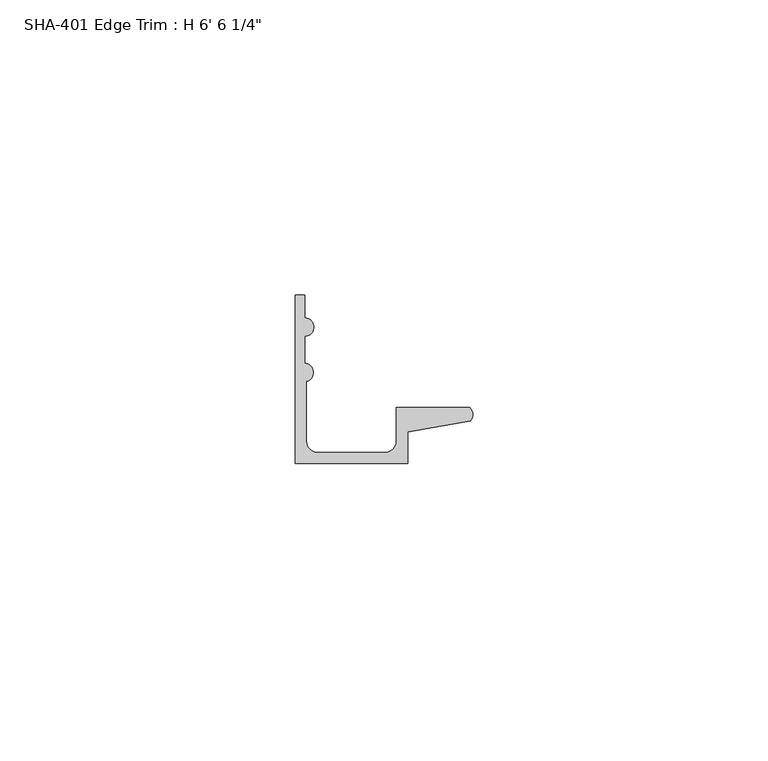
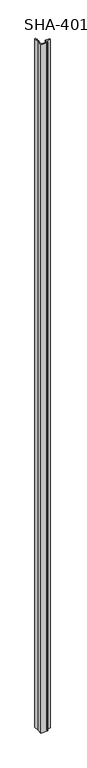
"""IFC4 building model written with IfcOpenShell, lengths in millimetres: proxy geometry."""

from ifc_helpers import new_model, si_unit, point, frame_2d, origin, origin_with_axes, place, context, project, spatial, polyline, circle_curve, trimmed, segment, composite_curve, outline, extrude, source, transform, mapped, element, save


def proxy_705919c7(model_context):
    return source(origin(), model_context, "Body", "SweptSolid", [
        extrude(outline(composite_curve([segment(polyline([(29.6006869, 7.2036308), (19.0246, 5.392657), (19.0246, 0.0), (0.0, 0.0), (0.0, 13.8696178), (0.0, 28.575), (1.5748, 28.575), (1.5748, 24.7045919)]), True, "CONTINUOUS"), segment(trimmed(circle_curve(frame_2d((1.5748, 23.1297919)), 1.5748), [point((1.5748, 24.7045919))], [point((1.5748, 21.5549919))], False, "CARTESIAN"), True, "CONTINUOUS"), segment(polyline([(1.5748, 21.5549919), (1.5748, 17.018)]), True, "CONTINUOUS"), segment(trimmed(circle_curve(frame_2d((1.4838146, 15.4432)), 1.5774262), [point((1.5748, 17.018))], [point((1.905, 13.9230434))], False, "CARTESIAN"), True, "CONTINUOUS"), segment(polyline([(1.905, 13.9230434), (1.905, 3.81)]), True, "CONTINUOUS"), segment(trimmed(circle_curve(frame_2d((3.81, 3.81)), 1.905), [point((1.905, 3.81))], [point((3.81, 1.905))], True, "CARTESIAN"), True, "CONTINUOUS"), segment(polyline([(3.81, 1.905), (15.2146, 1.905)]), True, "CONTINUOUS"), segment(trimmed(circle_curve(frame_2d((15.2146, 3.81)), 1.905), [point((15.2146, 1.905))], [point((17.1196, 3.81))], True, "CARTESIAN"), True, "CONTINUOUS"), segment(polyline([(17.1196, 3.81), (17.1196, 9.525), (29.5346031, 9.525)]), True, "CONTINUOUS"), segment(trimmed(circle_curve(frame_2d((28.4438454, 8.3323235)), 1.6162393), [point((29.5346031, 9.525))], [point((29.6006869, 7.2036308))], False, "CARTESIAN"), True, "CONTINUOUS")], self_intersect=False)), origin_with_axes(), (0.0, 0.0, 1.0), 1987.55),
    ])


if __name__ == "__main__":
    model = new_model("IFC4")
    model_context = context("Model", 3, world=origin())
    ifc_project = project(units=[si_unit("LENGTHUNIT", "METRE", prefix="MILLI")], contexts=[model_context])
    site = spatial("IfcSite", under=ifc_project)
    building = spatial("IfcBuilding", under=site)
    placement = place(None, origin())
    proxy_shape = proxy_705919c7(model_context)
    element("IfcBuildingElementProxy", 1, Name="SHA-401 Edge Trim : H 6' 6 1/4\"", ObjectType="SHA-401 Edge Trim : H 6' 6 1/4\"", at=placement, inside=building, context=model_context, shape_type="MappedRepresentation", body=[
        mapped(proxy_shape, transform((0.0, 0.0, 0.0), x_axis=(1.0, 0.0, 0.0), y_axis=(0.0, 1.0, 0.0), z_axis=(0.0, 0.0, 1.0))),
    ])
    save(model, "model.ifc")
